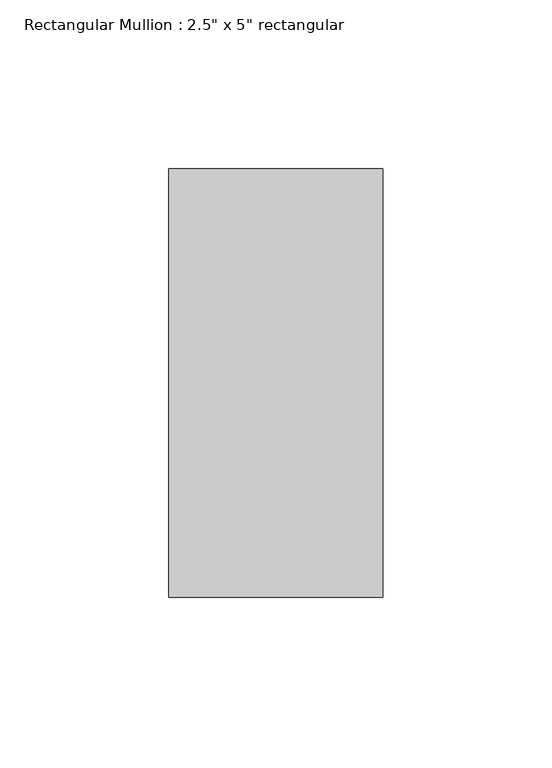
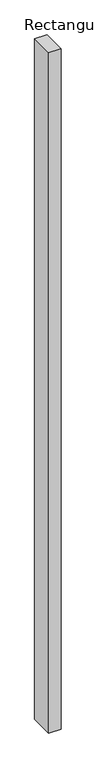
"""IFC4 building model written with IfcOpenShell, lengths in millimetres: member geometry."""

import ifcopenshell
import ifcopenshell.guid

model = None  # the IFC model being written
_history = None  # IfcOwnerHistory: only IFC2X3 demands one
_inside = {}  # id of a spatial element -> (the spatial element, [elements in it])
_under = {}  # id of a project, library or spatial element -> (it, [spatial elements below it])
_declared = {}  # id of a project -> (the project, [libraries it declares])
_typed = {}  # id of a type object -> (the type object, [elements of that type])
_made_of = {}  # id of a material, layer set ... -> (it, [elements and type objects made of it])


def new_model(schema):
    """Start an empty IFC model of exactly this schema.

    Asked for "IFC4X3", IfcOpenShell would pick the latest addendum, in which some entities
    have other attributes; the version numbers below select the first issue.
    IFC2X3 requires an IfcOwnerHistory on every rooted entity: one is made here for all.
    """
    global model, _history
    if schema == "IFC4X3":
        model = ifcopenshell.file(schema_version=(4, 3, 0, 0))
    else:
        model = ifcopenshell.file(schema=schema)
    _inside.clear()
    _under.clear()
    _declared.clear()
    _typed.clear()
    _made_of.clear()
    _history = None
    if model.schema == "IFC2X3":
        org = make("IfcOrganization", Name="unknown")
        user = make(
            "IfcPersonAndOrganization",
            ThePerson=make("IfcPerson", FamilyName="unknown"),
            TheOrganization=org,
        )
        app = make(
            "IfcApplication",
            ApplicationDeveloper=org,
            Version="unknown",
            ApplicationFullName="unknown",
            ApplicationIdentifier="unknown",
        )
        _history = make(
            "IfcOwnerHistory",
            OwningUser=user,
            OwningApplication=app,
            ChangeAction="ADDED",
            CreationDate=0,
        )
    return model


def make(cls, **values):
    """One entity of the class cls with the attributes given. An attribute that is None is left unset."""
    return model.create_entity(
        cls, **{name: value for name, value in values.items() if value is not None}
    )


def rooted(cls, **values):
    """An entity with a GlobalId (a new one), such as an element, a storey or a relation."""
    return make(cls, GlobalId=ifcopenshell.guid.new(), OwnerHistory=_history, **values)


def si_unit(unit_type, name, prefix=None):
    """IfcSIUnit, for example si_unit("LENGTHUNIT", "METRE", prefix="MILLI")."""
    return make("IfcSIUnit", UnitType=unit_type, Prefix=prefix, Name=name)


def assignment(units):
    """IfcUnitAssignment: the units of a project."""
    return None if units is None else make("IfcUnitAssignment", Units=units)


def point(xyz):
    """IfcCartesianPoint."""
    return None if xyz is None else make("IfcCartesianPoint", Coordinates=xyz)


def direction(xyz):
    """IfcDirection."""
    return None if xyz is None else make("IfcDirection", DirectionRatios=xyz)


def frame(location, z_axis=None, x_axis=None):
    """IfcAxis2Placement3D, a coordinate frame: its origin and axes. An axis left out is left unset."""
    return make(
        "IfcAxis2Placement3D",
        Location=point(location),
        Axis=direction(z_axis),
        RefDirection=direction(x_axis),
    )


def origin():
    """The frame at (0, 0, 0) with its axes left unset."""
    return frame((0.0, 0.0, 0.0))


def place(relative_to, where):
    """IfcLocalPlacement: puts the frame where relative to a parent placement (None: the world)."""
    return make(
        "IfcLocalPlacement", PlacementRelTo=relative_to, RelativePlacement=where
    )


def context(
    kind, dimensions, precision=None, world=None, true_north=None, identifier=None
):
    """IfcGeometricRepresentationContext, for example the 3D "Model" context."""
    return make(
        "IfcGeometricRepresentationContext",
        ContextIdentifier=identifier,
        ContextType=kind,
        CoordinateSpaceDimension=dimensions,
        Precision=precision,
        WorldCoordinateSystem=world,
        TrueNorth=true_north,
    )


def project(units=None, contexts=None):
    """IfcProject with its units and contexts."""
    return rooted(
        "IfcProject",
        Name="project",
        RepresentationContexts=contexts,
        UnitsInContext=assignment(units),
    )


def spatial(cls, under=None, at=None, **own):
    """A site, building, storey or space (cls), placed at a placement, below another one or the project."""
    s = rooted(cls, ObjectPlacement=at, **own)
    if under is not None:
        _under.setdefault(under.id(), (under, []))[1].append(s)
    return s


def polyline(points):
    """IfcPolyline through the points."""
    return make("IfcPolyline", Points=[point(p) for p in points])


def outline(outer, holes=None, kind="AREA"):
    """IfcArbitraryClosedProfileDef: a profile drawn as a closed curve; with holes, ...WithVoids."""
    if holes is None:
        return make("IfcArbitraryClosedProfileDef", ProfileType=kind, OuterCurve=outer)
    return make(
        "IfcArbitraryProfileDefWithVoids",
        ProfileType=kind,
        OuterCurve=outer,
        InnerCurves=holes,
    )


def extrude(swept, where, along, depth):
    """IfcExtrudedAreaSolid: the profile swept, set in the frame where, extruded along a direction by depth."""
    return make(
        "IfcExtrudedAreaSolid",
        SweptArea=swept,
        Position=where,
        ExtrudedDirection=direction(along),
        Depth=depth,
    )


def shape(context_of_items, identifier, shape_type, items):
    """IfcShapeRepresentation: the items that make up one representation, for example the "Body"."""
    return make(
        "IfcShapeRepresentation",
        ContextOfItems=context_of_items,
        RepresentationIdentifier=identifier,
        RepresentationType=shape_type,
        Items=items,
    )


def source(mapping_origin, context_of_items, identifier, shape_type, items):
    """IfcRepresentationMap: a shape defined once, which mapped items show again and again."""
    return make(
        "IfcRepresentationMap",
        MappingOrigin=mapping_origin,
        MappedRepresentation=shape(context_of_items, identifier, shape_type, items),
    )


def transform(
    local_origin,
    x_axis=None,
    y_axis=None,
    z_axis=None,
    scale=None,
    scale2=None,
    scale3=None,
    uniform=True,
):
    """IfcCartesianTransformationOperator3D, or its non-uniform kind. x_axis, y_axis, z_axis: its Axis1, 2, 3."""
    if uniform:
        return make(
            "IfcCartesianTransformationOperator3D",
            Axis1=direction(x_axis),
            Axis2=direction(y_axis),
            LocalOrigin=point(local_origin),
            Scale=scale,
            Axis3=direction(z_axis),
        )
    return make(
        "IfcCartesianTransformationOperator3DnonUniform",
        Axis1=direction(x_axis),
        Axis2=direction(y_axis),
        LocalOrigin=point(local_origin),
        Scale=scale,
        Axis3=direction(z_axis),
        Scale2=scale2,
        Scale3=scale3,
    )


def mapped(mapping_source, mapping_target):
    """IfcMappedItem: shows the shape of a source again, moved by a transform."""
    return make(
        "IfcMappedItem", MappingSource=mapping_source, MappingTarget=mapping_target
    )


def made_of(thing, what):
    """Note that an element or type object is made of a material, layer set ...; save() writes the relation."""
    if what is not None:
        _made_of.setdefault(what.id(), (what, []))[1].append(thing)
    return thing


def element(
    cls,
    number,
    at=None,
    inside=None,
    cuts=None,
    type_object=None,
    material=None,
    context=None,
    identifier="Body",
    shape_type=None,
    held_by="IfcProductDefinitionShape",
    body=None,
    shapes=None,
    **own,
):
    """One element of the class cls, such as IfcWall. Its Tag is "e" and its number.

    at: its placement. inside: the storey or other place that contains it. cuts: it is an
    opening in that element (IfcRelVoidsElement). A single representation is given by context,
    identifier, shape_type and body (its items); several are given by shapes. held_by: the class
    of the entity that holds the representations. save() writes the other relations.
    """
    e = rooted(cls, Tag="e%d" % number, ObjectPlacement=at, **own)
    if body is not None:
        shapes = [shape(context, identifier, shape_type, body)]
    if shapes is not None:
        e.Representation = make(held_by, Representations=shapes)
    if inside is not None:
        _inside.setdefault(inside.id(), (inside, []))[1].append(e)
    if cuts is not None:
        rooted(
            "IfcRelVoidsElement", RelatingBuildingElement=cuts, RelatedOpeningElement=e
        )
    if type_object is not None:
        _typed.setdefault(type_object.id(), (type_object, []))[1].append(e)
    return made_of(e, material)


def aggregate(whole, parts):
    """IfcRelAggregates: a whole, such as a stair, and the parts it consists of."""
    return rooted("IfcRelAggregates", RelatingObject=whole, RelatedObjects=parts)


def save(model, path):
    """Write the relations noted so far, then the file.

    IfcRelAggregates (storeys below a building ...), IfcRelContainedInSpatialStructure (elements
    in a storey), IfcRelDefinesByType, IfcRelAssociatesMaterial and IfcRelDeclares: one each for
    every whole, place, type object, material and project.
    """
    for whole, parts in _under.values():
        aggregate(whole, parts)
    for where, things in _inside.values():
        rooted(
            "IfcRelContainedInSpatialStructure",
            RelatedElements=things,
            RelatingStructure=where,
        )
    for kind, things in _typed.values():
        rooted("IfcRelDefinesByType", RelatedObjects=things, RelatingType=kind)
    for what, things in _made_of.values():
        rooted("IfcRelAssociatesMaterial", RelatedObjects=things, RelatingMaterial=what)
    for by, libraries in _declared.values():
        rooted("IfcRelDeclares", RelatingContext=by, RelatedDefinitions=libraries)
    model.write(path)


def member_307828c7(model_context):
    return source(origin(), model_context, "Body", "SweptSolid", [
        extrude(outline(polyline([(0.0, 63.5), (0.0, -63.5), (-63.5, -63.5), (-63.5, 63.5), (0.0, 63.5)])), frame((0.0, 0.0, -3752.0524626), z_axis=(0.0, 0.0, 1.0), x_axis=(1.0, 0.0, 0.0)), (0.0, 0.0, 1.0), 3752.0524626),
    ])


if __name__ == "__main__":
    model = new_model("IFC4")
    model_context = context("Model", 3, world=origin())
    ifc_project = project(units=[si_unit("LENGTHUNIT", "METRE", prefix="MILLI")], contexts=[model_context])
    site = spatial("IfcSite", under=ifc_project)
    building = spatial("IfcBuilding", under=site)
    placement = place(None, origin())
    member_shape = member_307828c7(model_context)
    element("IfcMember", 1, ObjectType="Rectangular Mullion : 2.5\" x 5\" rectangular", at=placement, inside=building, context=model_context, shape_type="MappedRepresentation", body=[
        mapped(member_shape, transform((0.0, 0.0, 0.0), x_axis=(1.0, 0.0, 0.0), y_axis=(0.0, 1.0, 0.0), z_axis=(0.0, 0.0, 1.0))),
    ])
    save(model, "model.ifc")
